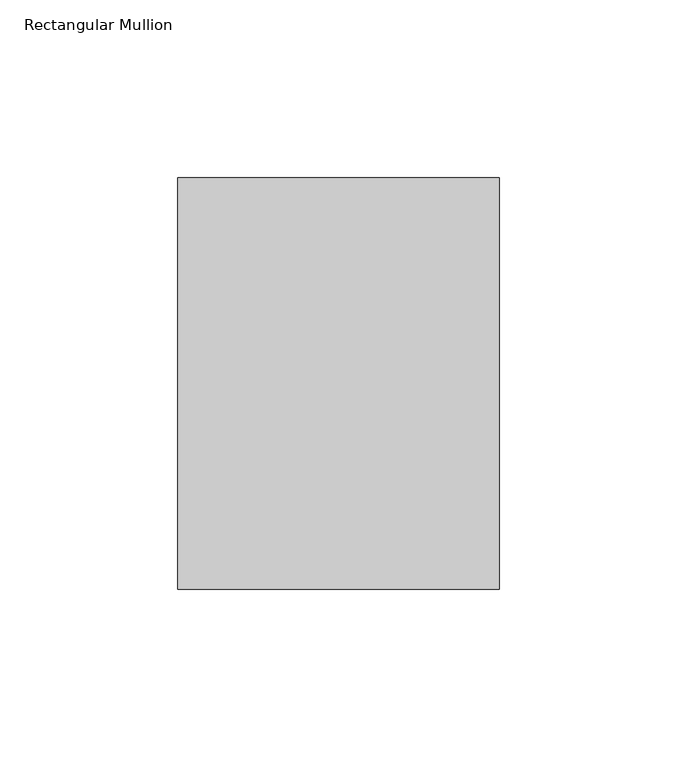
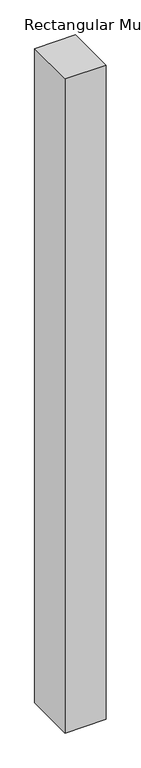
"""IFC4 building model written with IfcOpenShell, lengths in millimetres: member geometry, Rectangular Mullion."""

from ifc_helpers import new_model, si_unit, frame, origin, place, context, project, spatial, polyline, outline, extrude, source, transform, mapped, element, save


def rectangular_mullion_eaa753ef(model_context):
    return source(origin(), model_context, "Body", "SweptSolid", [
        extrude(outline(polyline([(45.24375, -89.69375), (-45.24375, -89.69375), (-45.24375, 26.19375), (45.24375, 26.19375), (45.24375, -89.69375)])), frame((0.0, 0.0, -1524.0), z_axis=(0.0, 0.0, 1.0), x_axis=(1.0, 0.0, 0.0)), (0.0, 0.0, 1.0), 1524.0),
    ])


if __name__ == "__main__":
    model = new_model("IFC4")
    model_context = context("Model", 3, world=origin())
    ifc_project = project(units=[si_unit("LENGTHUNIT", "METRE", prefix="MILLI")], contexts=[model_context])
    site = spatial("IfcSite", under=ifc_project)
    building = spatial("IfcBuilding", under=site)
    placement = place(None, origin())
    rectangular_mullion_shape = rectangular_mullion_eaa753ef(model_context)
    element("IfcMember", 1, ObjectType="Rectangular Mullion", at=placement, inside=building, context=model_context, shape_type="MappedRepresentation", body=[
        mapped(rectangular_mullion_shape, transform((0.0, 0.0, 0.0), x_axis=(1.0, 0.0, 0.0), y_axis=(0.0, 1.0, 0.0), z_axis=(0.0, 0.0, 1.0))),
    ])
    save(model, "model.ifc")
